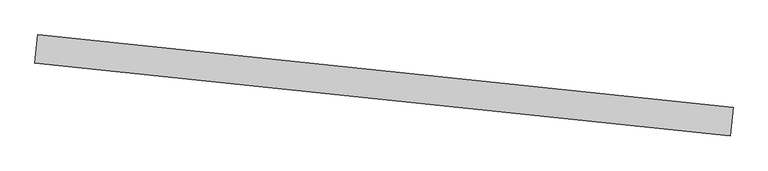
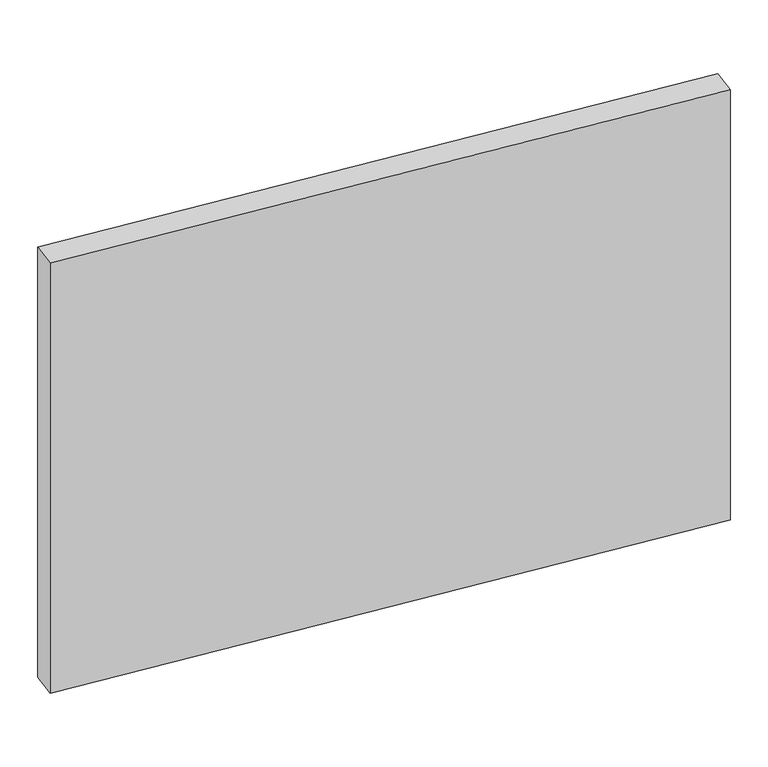
"""IFC4 building model written with IfcOpenShell, lengths in millimetres: proxy geometry."""

from ifc_helpers import new_model, si_unit, origin, origin_with_axes, place, context, project, spatial, polyline, outline, extrude, source, transform, mapped, element, save


def generic_models_af3ac05b(model_context):
    return source(origin(), model_context, "Body", "SweptSolid", [
        extrude(outline(polyline([(134194.8207601, 15041.6254158), (135483.1244234, 14906.2192445), (135477.5783305, 14853.4516957), (134189.2746673, 14988.857867), (134194.8207601, 15041.6254158)])), origin_with_axes(), (0.0, 0.0, 1.0), 914.4),
    ])


if __name__ == "__main__":
    model = new_model("IFC4")
    model_context = context("Model", 3, world=origin())
    ifc_project = project(units=[si_unit("LENGTHUNIT", "METRE", prefix="MILLI")], contexts=[model_context])
    site = spatial("IfcSite", under=ifc_project)
    building = spatial("IfcBuilding", under=site)
    placement = place(None, origin())
    generic_models_shape = generic_models_af3ac05b(model_context)
    element("IfcBuildingElementProxy", 1, Name="Generic Models", at=placement, inside=building, context=model_context, shape_type="MappedRepresentation", body=[
        mapped(generic_models_shape, transform((0.0, 0.0, 0.0), x_axis=(1.0, 0.0, 0.0), y_axis=(0.0, 1.0, 0.0), z_axis=(0.0, 0.0, 1.0))),
    ])
    save(model, "model.ifc")
